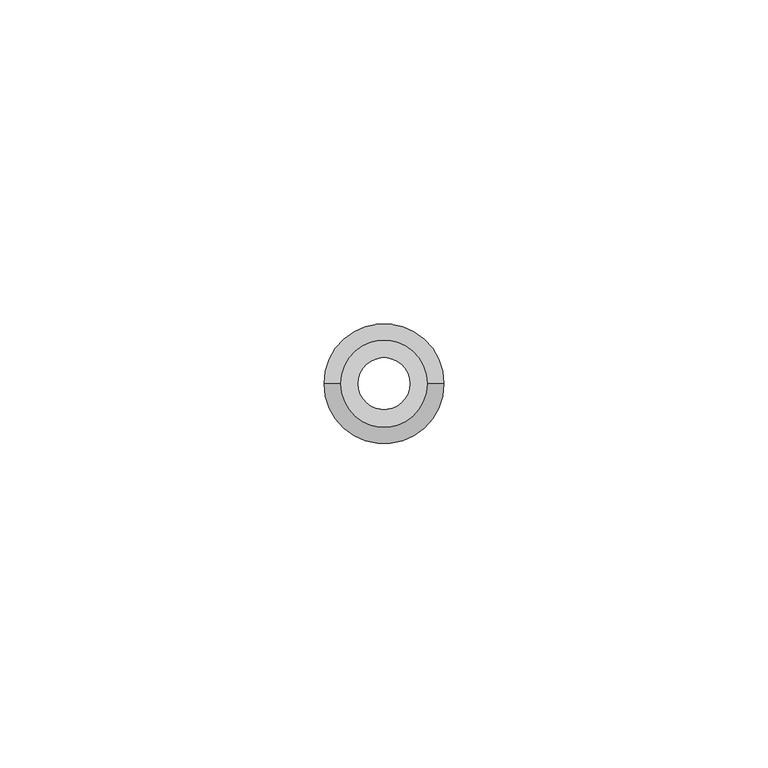
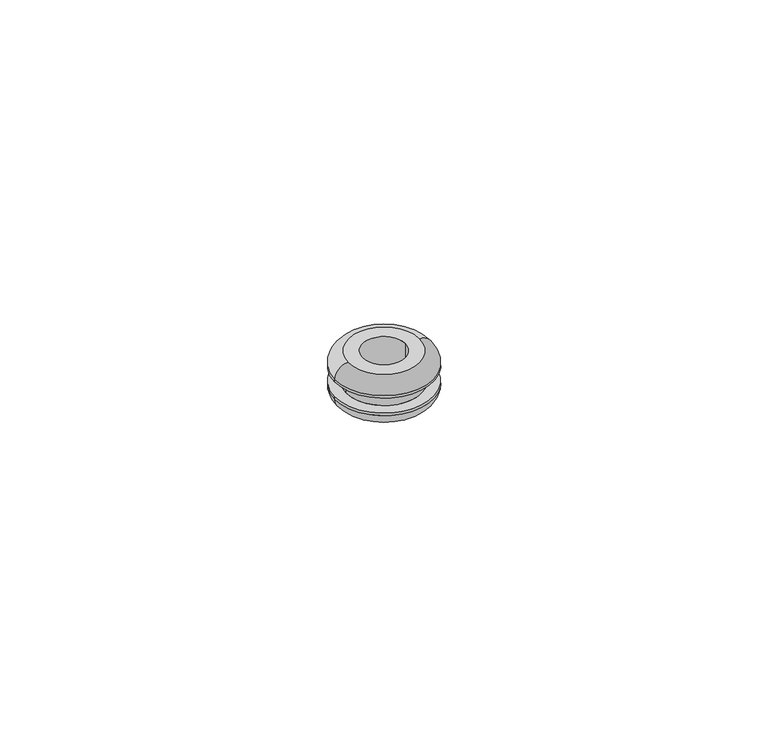
"""IFC4 building model written with IfcOpenShell, lengths in millimetres: proxy geometry."""

from ifc_helpers import new_model, si_unit, point, frame, origin, origin_with_axes, place, context, project, spatial, polyline, circle_curve, ellipse_curve, trimmed, source, transform, mapped, element, save
from ifc_brep_helpers import plane_surface, cylinder_surface, revolved_surface, advanced_brep


def generic_models_9d9d66c8(model_context):
    return source(origin(), model_context, "Body", "AdvancedBrep", [
        advanced_brep(
        [(4.0, 0.0, -4.5), (4.0, 0.0, 4.5), (-4.0, 0.0, 4.5), (-4.0, 0.0, -4.5), (9.25, 0.0, 2.0), (6.75, 0.0, 4.5), (-6.75, 0.0, 4.5), (-9.25, 0.0, 2.0), (9.25, 0.0, 1.5), (-9.25, 0.0, 1.5), (7.05, 0.0, -1.5), (7.05, 0.0, 1.5), (-7.05, 0.0, 1.5), (-7.05, 0.0, -1.5), (9.25, 0.0, -2.0), (9.25, 0.0, -1.5), (-9.25, 0.0, -1.5), (-9.25, 0.0, -2.0), (6.75, 0.0, -4.5), (-6.75, 0.0, -4.5)],
        [
            (0, 1),
            (1, 2, circle_curve(frame((0.0, 0.0, 4.5), z_axis=(0.0, 0.0, 1.0), x_axis=(1.0, 0.0, 0.0)), 4.0)),
            (2, 3),
            (3, 0, circle_curve(frame((0.0, 0.0, -4.5), z_axis=(0.0, 0.0, -1.0), x_axis=(1.0, 0.0, 0.0)), 4.0)),
            (4, 5, circle_curve(frame((6.75, 0.0, 2.0), z_axis=(0.0, -1.0, 0.0), x_axis=(1.0, 0.0, 0.0)), 2.5)),
            (5, 6, circle_curve(frame((0.0, 0.0, 4.5), z_axis=(0.0, 0.0, -1.0), x_axis=(-1.0, 0.0, 0.0)), 6.75)),
            (6, 7, circle_curve(frame((-6.75, 0.0, 2.0), z_axis=(0.0, -1.0, 0.0), x_axis=(-1.0, 0.0, 0.0)), 2.5)),
            (7, 4, circle_curve(frame((0.0, 0.0, 2.0), z_axis=(0.0, 0.0, 1.0), x_axis=(-1.0, 0.0, 0.0)), 9.25)),
            (8, 4),
            (7, 9),
            (9, 8, circle_curve(frame((0.0, 0.0, 1.5), z_axis=(0.0, 0.0, 1.0), x_axis=(1.0, 0.0, 0.0)), 9.25)),
            (10, 11),
            (11, 12, circle_curve(frame((0.0, 0.0, 1.5), z_axis=(0.0, 0.0, -1.0), x_axis=(1.0, 0.0, 0.0)), 7.05)),
            (12, 13),
            (13, 10, circle_curve(frame((0.0, 0.0, -1.5), z_axis=(0.0, 0.0, 1.0), x_axis=(1.0, 0.0, 0.0)), 7.05)),
            (14, 15),
            (15, 16, circle_curve(frame((0.0, 0.0, -1.5), z_axis=(0.0, 0.0, -1.0), x_axis=(1.0, 0.0, 0.0)), 9.25)),
            (16, 17),
            (17, 14, circle_curve(frame((0.0, 0.0, -2.0), z_axis=(0.0, 0.0, 1.0), x_axis=(1.0, 0.0, 0.0)), 9.25)),
            (18, 14, circle_curve(frame((6.75, 0.0, -2.0), z_axis=(0.0, -1.0, 0.0), x_axis=(1.0, 0.0, 0.0)), 2.5)),
            (17, 19, circle_curve(frame((-6.75, 0.0, -2.0), z_axis=(0.0, -1.0, 0.0), x_axis=(-1.0, 0.0, 0.0)), 2.5)),
            (19, 18, circle_curve(frame((0.0, 0.0, -4.5), z_axis=(0.0, 0.0, 1.0), x_axis=(-1.0, 0.0, 0.0)), 6.75)),
            (19, 18, circle_curve(frame((0.0, 0.0, -4.5), z_axis=(0.0, 0.0, -1.0), x_axis=(1.0, 0.0, 0.0)), 6.75)),
            (3, 0, circle_curve(frame((0.0, 0.0, -4.5), z_axis=(0.0, 0.0, 1.0), x_axis=(1.0, 0.0, 0.0)), 4.0)),
            (17, 14, circle_curve(frame((0.0, 0.0, -2.0), z_axis=(0.0, 0.0, -1.0), x_axis=(1.0, 0.0, 0.0)), 9.25)),
            (16, 15, circle_curve(frame((0.0, 0.0, -1.5), z_axis=(0.0, 0.0, -1.0), x_axis=(1.0, 0.0, 0.0)), 9.25)),
            (13, 10, circle_curve(frame((0.0, 0.0, -1.5), z_axis=(0.0, 0.0, -1.0), x_axis=(1.0, 0.0, 0.0)), 7.05)),
            (12, 11, circle_curve(frame((0.0, 0.0, 1.5), z_axis=(0.0, 0.0, -1.0), x_axis=(1.0, 0.0, 0.0)), 7.05)),
            (9, 8, circle_curve(frame((0.0, 0.0, 1.5), z_axis=(0.0, 0.0, -1.0), x_axis=(1.0, 0.0, 0.0)), 9.25)),
            (7, 4, circle_curve(frame((0.0, 0.0, 2.0), z_axis=(0.0, 0.0, -1.0), x_axis=(1.0, 0.0, 0.0)), 9.25)),
            (6, 5, circle_curve(frame((0.0, 0.0, 4.5), z_axis=(0.0, 0.0, -1.0), x_axis=(1.0, 0.0, 0.0)), 6.75)),
            (1, 2, circle_curve(frame((0.0, 0.0, 4.5), z_axis=(0.0, 0.0, -1.0), x_axis=(1.0, 0.0, 0.0)), 4.0)),
        ],
        [
            revolved_surface(polyline([(4.0, 0.0, 4.5), (4.0, 0.0, -4.5)]), (0.0, 0.0, 0.0), (0.0, 0.0, 1.0)),
            revolved_surface(trimmed(ellipse_curve(frame((-6.75, 0.0, 2.0), z_axis=(0.0, 1.0, 0.0), x_axis=(-1.0, 0.0, 0.0)), 2.5, 2.5), [point((-9.25, 0.0, 2.0))], [point((-6.75, 0.0, 4.5))], True, "CARTESIAN"), (0.0, 0.0, 2.0), (0.0, 0.0, 1.0)),
            cylinder_surface(frame((0.0, 0.0, 1.75), z_axis=(0.0, 0.0, 1.0), x_axis=(1.0, 0.0, 0.0)), 9.25),
            cylinder_surface(origin_with_axes(), 7.05),
            cylinder_surface(frame((0.0, 0.0, -1.75), z_axis=(0.0, 0.0, 1.0), x_axis=(1.0, 0.0, 0.0)), 9.25),
            revolved_surface(trimmed(ellipse_curve(frame((-6.75, 0.0, -2.0), z_axis=(0.0, 1.0, 0.0), x_axis=(-1.0, 0.0, 0.0)), 2.5, 2.5), [point((-6.75, 0.0, -4.5))], [point((-9.25, 0.0, -2.0))], True, "CARTESIAN"), (0.0, 0.0, -2.0), (0.0, 0.0, 1.0)),
            plane_surface(frame((5.375, 0.0, -4.5), z_axis=(0.0, 0.0, -1.0), x_axis=(-1.0, 0.0, 0.0))),
            revolved_surface(trimmed(ellipse_curve(frame((6.75, 0.0, -2.0), z_axis=(0.0, -1.0, 0.0), x_axis=(1.0, 0.0, 0.0)), 2.5, 2.5), [point((6.75, 0.0, -4.5))], [point((9.25, 0.0, -2.0))], True, "CARTESIAN"), (0.0, 0.0, -2.0), (0.0, 0.0, 1.0)),
            plane_surface(frame((8.15, 0.0, -1.5), z_axis=(0.0, 0.0, 1.0), x_axis=(1.0, 0.0, 0.0))),
            plane_surface(frame((8.15, 0.0, 1.5), z_axis=(0.0, 0.0, -1.0), x_axis=(-1.0, 0.0, 0.0))),
            revolved_surface(trimmed(ellipse_curve(frame((6.75, 0.0, 2.0), z_axis=(0.0, -1.0, 0.0), x_axis=(1.0, 0.0, 0.0)), 2.5, 2.5), [point((9.25, 0.0, 2.0))], [point((6.75, 0.0, 4.5))], True, "CARTESIAN"), (0.0, 0.0, 2.0), (0.0, 0.0, 1.0)),
            plane_surface(frame((5.375, 0.0, 4.5), z_axis=(0.0, 0.0, 1.0), x_axis=(1.0, 0.0, 0.0))),
        ],
        [
            (0, [[1, 2, 3, 4]]),
            (1, [[5, 6, 7, 8]]),
            (2, [[9, -8, 10, 11]]),
            (3, [[12, 13, 14, 15]]),
            (4, [[16, 17, 18, 19]]),
            (5, [[20, -19, 21, 22]]),
            (6, [[23, -22], [-4, 24]]),
            (7, [[-20, -23, -21, 25]]),
            (4, [[-16, -25, -18, 26]]),
            (8, [[-26, -17], [27, -15]]),
            (3, [[-12, -27, -14, 28]]),
            (9, [[29, -11], [-28, -13]]),
            (2, [[-9, -29, -10, 30]]),
            (10, [[-5, -30, -7, 31]]),
            (11, [[-31, -6], [-2, 32]]),
            (0, [[-1, -24, -3, -32]]),
        ],
    ),
    ])


if __name__ == "__main__":
    model = new_model("IFC4")
    model_context = context("Model", 3, world=origin())
    ifc_project = project(units=[si_unit("LENGTHUNIT", "METRE", prefix="MILLI")], contexts=[model_context])
    site = spatial("IfcSite", under=ifc_project)
    building = spatial("IfcBuilding", under=site)
    placement = place(None, origin())
    generic_models_shape = generic_models_9d9d66c8(model_context)
    element("IfcBuildingElementProxy", 1, Name="Generic Models", at=placement, inside=building, context=model_context, shape_type="MappedRepresentation", body=[
        mapped(generic_models_shape, transform((0.0, 0.0, 0.0), x_axis=(1.0, 0.0, 0.0), y_axis=(0.0, 1.0, 0.0), z_axis=(0.0, 0.0, 1.0))),
    ])
    save(model, "model.ifc")
